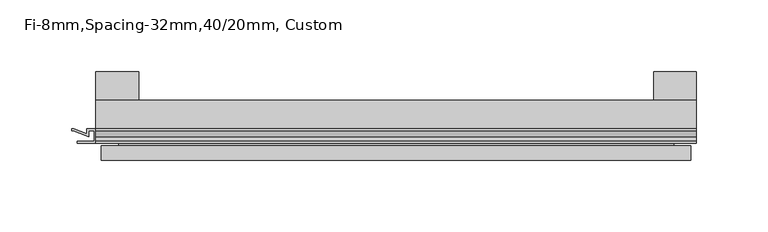
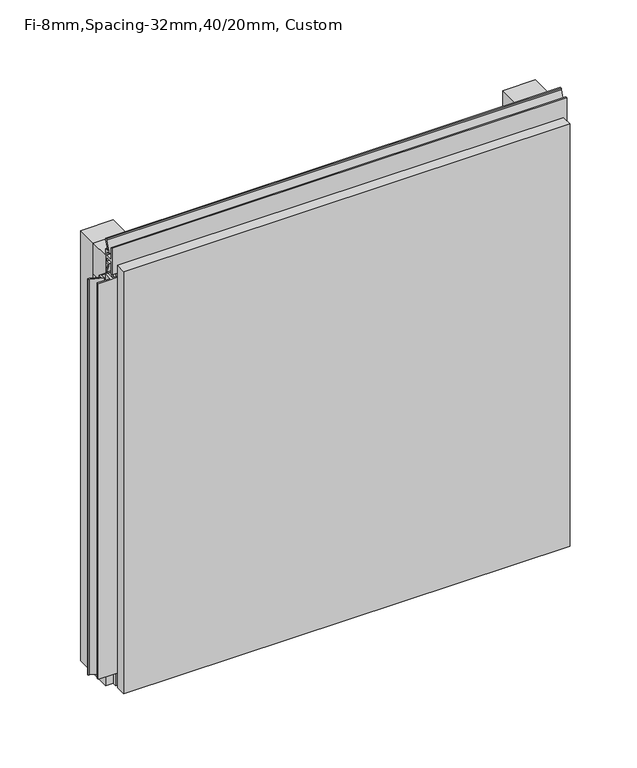
"""IFC4 building model written with IfcOpenShell, lengths in millimetres: plate geometry, Fi-8mm,Spacing-32mm,40/20mm, Custom."""

import ifcopenshell
import ifcopenshell.guid

model = None  # the IFC model being written
_history = None  # IfcOwnerHistory: only IFC2X3 demands one
_inside = {}  # id of a spatial element -> (the spatial element, [elements in it])
_under = {}  # id of a project, library or spatial element -> (it, [spatial elements below it])
_declared = {}  # id of a project -> (the project, [libraries it declares])
_typed = {}  # id of a type object -> (the type object, [elements of that type])
_made_of = {}  # id of a material, layer set ... -> (it, [elements and type objects made of it])


def new_model(schema):
    """Start an empty IFC model of exactly this schema.

    Asked for "IFC4X3", IfcOpenShell would pick the latest addendum, in which some entities
    have other attributes; the version numbers below select the first issue.
    IFC2X3 requires an IfcOwnerHistory on every rooted entity: one is made here for all.
    """
    global model, _history
    if schema == "IFC4X3":
        model = ifcopenshell.file(schema_version=(4, 3, 0, 0))
    else:
        model = ifcopenshell.file(schema=schema)
    _inside.clear()
    _under.clear()
    _declared.clear()
    _typed.clear()
    _made_of.clear()
    _history = None
    if model.schema == "IFC2X3":
        org = make("IfcOrganization", Name="unknown")
        user = make(
            "IfcPersonAndOrganization",
            ThePerson=make("IfcPerson", FamilyName="unknown"),
            TheOrganization=org,
        )
        app = make(
            "IfcApplication",
            ApplicationDeveloper=org,
            Version="unknown",
            ApplicationFullName="unknown",
            ApplicationIdentifier="unknown",
        )
        _history = make(
            "IfcOwnerHistory",
            OwningUser=user,
            OwningApplication=app,
            ChangeAction="ADDED",
            CreationDate=0,
        )
    return model


def make(cls, **values):
    """One entity of the class cls with the attributes given. An attribute that is None is left unset."""
    return model.create_entity(
        cls, **{name: value for name, value in values.items() if value is not None}
    )


def rooted(cls, **values):
    """An entity with a GlobalId (a new one), such as an element, a storey or a relation."""
    return make(cls, GlobalId=ifcopenshell.guid.new(), OwnerHistory=_history, **values)


def si_unit(unit_type, name, prefix=None):
    """IfcSIUnit, for example si_unit("LENGTHUNIT", "METRE", prefix="MILLI")."""
    return make("IfcSIUnit", UnitType=unit_type, Prefix=prefix, Name=name)


def assignment(units):
    """IfcUnitAssignment: the units of a project."""
    return None if units is None else make("IfcUnitAssignment", Units=units)


def point(xyz):
    """IfcCartesianPoint."""
    return None if xyz is None else make("IfcCartesianPoint", Coordinates=xyz)


def direction(xyz):
    """IfcDirection."""
    return None if xyz is None else make("IfcDirection", DirectionRatios=xyz)


def frame(location, z_axis=None, x_axis=None):
    """IfcAxis2Placement3D, a coordinate frame: its origin and axes. An axis left out is left unset."""
    return make(
        "IfcAxis2Placement3D",
        Location=point(location),
        Axis=direction(z_axis),
        RefDirection=direction(x_axis),
    )


def origin():
    """The frame at (0, 0, 0) with its axes left unset."""
    return frame((0.0, 0.0, 0.0))


def origin_with_axes():
    """The frame at (0, 0, 0) with the z axis (0, 0, 1) and the x axis (1, 0, 0) written out."""
    return frame((0.0, 0.0, 0.0), z_axis=(0.0, 0.0, 1.0), x_axis=(1.0, 0.0, 0.0))


def place(relative_to, where):
    """IfcLocalPlacement: puts the frame where relative to a parent placement (None: the world)."""
    return make(
        "IfcLocalPlacement", PlacementRelTo=relative_to, RelativePlacement=where
    )


def context(
    kind, dimensions, precision=None, world=None, true_north=None, identifier=None
):
    """IfcGeometricRepresentationContext, for example the 3D "Model" context."""
    return make(
        "IfcGeometricRepresentationContext",
        ContextIdentifier=identifier,
        ContextType=kind,
        CoordinateSpaceDimension=dimensions,
        Precision=precision,
        WorldCoordinateSystem=world,
        TrueNorth=true_north,
    )


def project(units=None, contexts=None):
    """IfcProject with its units and contexts."""
    return rooted(
        "IfcProject",
        Name="project",
        RepresentationContexts=contexts,
        UnitsInContext=assignment(units),
    )


def spatial(cls, under=None, at=None, **own):
    """A site, building, storey or space (cls), placed at a placement, below another one or the project."""
    s = rooted(cls, ObjectPlacement=at, **own)
    if under is not None:
        _under.setdefault(under.id(), (under, []))[1].append(s)
    return s


def polyline(points):
    """IfcPolyline through the points."""
    return make("IfcPolyline", Points=[point(p) for p in points])


def outline(outer, holes=None, kind="AREA"):
    """IfcArbitraryClosedProfileDef: a profile drawn as a closed curve; with holes, ...WithVoids."""
    if holes is None:
        return make("IfcArbitraryClosedProfileDef", ProfileType=kind, OuterCurve=outer)
    return make(
        "IfcArbitraryProfileDefWithVoids",
        ProfileType=kind,
        OuterCurve=outer,
        InnerCurves=holes,
    )


def extrude(swept, where, along, depth):
    """IfcExtrudedAreaSolid: the profile swept, set in the frame where, extruded along a direction by depth."""
    return make(
        "IfcExtrudedAreaSolid",
        SweptArea=swept,
        Position=where,
        ExtrudedDirection=direction(along),
        Depth=depth,
    )


def faces_of(points, faces, orient=None, outer=None):
    """IfcFace entities. A face is a list of loops; a loop is a list of indices into points, from 0.

    orient and outer hold one flag for each loop. By default every Orientation is true, the
    first loop of a face is its IfcFaceOuterBound and the others are IfcFaceBound.
    """
    made = []
    for i, loops in enumerate(faces):
        bounds = []
        for j, loop in enumerate(loops):
            is_outer = j == 0 if outer is None else outer[i][j]
            bounds.append(
                make(
                    "IfcFaceOuterBound" if is_outer else "IfcFaceBound",
                    Bound=make("IfcPolyLoop", Polygon=[points[k] for k in loop]),
                    Orientation=True if orient is None else orient[i][j],
                )
            )
        made.append(make("IfcFace", Bounds=bounds))
    return made


def faceted_brep(points, faces, orient=None, outer=None, voids=None):
    """IfcFacetedBrep: a solid bounded by flat faces; with voids (closed shells), ...WithVoids."""
    shared = [point(p) for p in points]
    hull = make("IfcClosedShell", CfsFaces=faces_of(shared, faces, orient, outer))
    if voids is None:
        return make("IfcFacetedBrep", Outer=hull)
    return make(
        "IfcFacetedBrepWithVoids",
        Outer=hull,
        Voids=[
            make(cls, CfsFaces=faces_of(shared, fs, o, b)) for cls, fs, o, b in voids
        ],
    )


def shape(context_of_items, identifier, shape_type, items):
    """IfcShapeRepresentation: the items that make up one representation, for example the "Body"."""
    return make(
        "IfcShapeRepresentation",
        ContextOfItems=context_of_items,
        RepresentationIdentifier=identifier,
        RepresentationType=shape_type,
        Items=items,
    )


def source(mapping_origin, context_of_items, identifier, shape_type, items):
    """IfcRepresentationMap: a shape defined once, which mapped items show again and again."""
    return make(
        "IfcRepresentationMap",
        MappingOrigin=mapping_origin,
        MappedRepresentation=shape(context_of_items, identifier, shape_type, items),
    )


def transform(
    local_origin,
    x_axis=None,
    y_axis=None,
    z_axis=None,
    scale=None,
    scale2=None,
    scale3=None,
    uniform=True,
):
    """IfcCartesianTransformationOperator3D, or its non-uniform kind. x_axis, y_axis, z_axis: its Axis1, 2, 3."""
    if uniform:
        return make(
            "IfcCartesianTransformationOperator3D",
            Axis1=direction(x_axis),
            Axis2=direction(y_axis),
            LocalOrigin=point(local_origin),
            Scale=scale,
            Axis3=direction(z_axis),
        )
    return make(
        "IfcCartesianTransformationOperator3DnonUniform",
        Axis1=direction(x_axis),
        Axis2=direction(y_axis),
        LocalOrigin=point(local_origin),
        Scale=scale,
        Axis3=direction(z_axis),
        Scale2=scale2,
        Scale3=scale3,
    )


def mapped(mapping_source, mapping_target):
    """IfcMappedItem: shows the shape of a source again, moved by a transform."""
    return make(
        "IfcMappedItem", MappingSource=mapping_source, MappingTarget=mapping_target
    )


def made_of(thing, what):
    """Note that an element or type object is made of a material, layer set ...; save() writes the relation."""
    if what is not None:
        _made_of.setdefault(what.id(), (what, []))[1].append(thing)
    return thing


def element(
    cls,
    number,
    at=None,
    inside=None,
    cuts=None,
    type_object=None,
    material=None,
    context=None,
    identifier="Body",
    shape_type=None,
    held_by="IfcProductDefinitionShape",
    body=None,
    shapes=None,
    **own,
):
    """One element of the class cls, such as IfcWall. Its Tag is "e" and its number.

    at: its placement. inside: the storey or other place that contains it. cuts: it is an
    opening in that element (IfcRelVoidsElement). A single representation is given by context,
    identifier, shape_type and body (its items); several are given by shapes. held_by: the class
    of the entity that holds the representations. save() writes the other relations.
    """
    e = rooted(cls, Tag="e%d" % number, ObjectPlacement=at, **own)
    if body is not None:
        shapes = [shape(context, identifier, shape_type, body)]
    if shapes is not None:
        e.Representation = make(held_by, Representations=shapes)
    if inside is not None:
        _inside.setdefault(inside.id(), (inside, []))[1].append(e)
    if cuts is not None:
        rooted(
            "IfcRelVoidsElement", RelatingBuildingElement=cuts, RelatedOpeningElement=e
        )
    if type_object is not None:
        _typed.setdefault(type_object.id(), (type_object, []))[1].append(e)
    return made_of(e, material)


def aggregate(whole, parts):
    """IfcRelAggregates: a whole, such as a stair, and the parts it consists of."""
    return rooted("IfcRelAggregates", RelatingObject=whole, RelatedObjects=parts)


def save(model, path):
    """Write the relations noted so far, then the file.

    IfcRelAggregates (storeys below a building ...), IfcRelContainedInSpatialStructure (elements
    in a storey), IfcRelDefinesByType, IfcRelAssociatesMaterial and IfcRelDeclares: one each for
    every whole, place, type object, material and project.
    """
    for whole, parts in _under.values():
        aggregate(whole, parts)
    for where, things in _inside.values():
        rooted(
            "IfcRelContainedInSpatialStructure",
            RelatedElements=things,
            RelatingStructure=where,
        )
    for kind, things in _typed.values():
        rooted("IfcRelDefinesByType", RelatedObjects=things, RelatingType=kind)
    for what, things in _made_of.values():
        rooted("IfcRelAssociatesMaterial", RelatedObjects=things, RelatingMaterial=what)
    for by, libraries in _declared.values():
        rooted("IfcRelDeclares", RelatingContext=by, RelatedDefinitions=libraries)
    model.write(path)


def fi_8mm_spacing_32mm_40_20mm_custom_fa134b66(model_context):
    return source(origin(), model_context, "Body", "SolidModel", [
        extrude(outline(polyline([(-210.0, -40.0), (-210.0, -20.0), (210.0, -20.0), (210.0, -40.0), (-210.0, -40.0)])), frame((0.0, 0.0, 390.0), z_axis=(0.0, 0.0, 1.0), x_axis=(1.0, 0.0, 0.0)), (0.0, 0.0, 1.0), 30.0),
        extrude(outline(polyline([(-210.0, -40.0), (-210.0, -20.0), (210.0, -20.0), (210.0, -40.0), (-210.0, -40.0)])), origin_with_axes(), (0.0, 0.0, 1.0), 30.0),
        extrude(outline(polyline([(180.0, 0.0), (210.0, 0.0), (210.0, -20.0), (180.0, -20.0), (180.0, 0.0)])), origin_with_axes(), (0.0, 0.0, 1.0), 420.0),
        extrude(outline(polyline([(-180.0, 0.0), (-180.0, -20.0), (-210.0, -20.0), (-210.0, 0.0), (-180.0, 0.0)])), origin_with_axes(), (0.0, 0.0, 1.0), 420.0),
        extrude(outline(polyline([(-210.899084, -48.7), (-210.899084, -41.4), (-214.899084, -41.4), (-214.899084, -45.5140545), (-225.5703394, -41.4553267), (-226.9558599, -41.4553267), (-226.9558599, -40.0553267), (-225.3558599, -40.0553267), (-216.299084, -43.5), (-216.299084, -40.0), (-203.700916, -40.0), (-203.700916, -43.5), (-194.6441401, -40.0553267), (-193.0441401, -40.0553267), (-193.0441401, -41.4553267), (-194.4296606, -41.4553267), (-205.100916, -45.5140545), (-205.100916, -41.4), (-209.100916, -41.4), (-209.100916, -48.7), (-197.100916, -48.7), (-197.100916, -50.1), (-222.899084, -50.1), (-222.899084, -48.7), (-210.899084, -48.7)])), frame((0.0, 0.0, 16.9558599), z_axis=(0.0, 0.0, 1.0), x_axis=(1.0, 0.0, 0.0)), (0.0, 0.0, 1.0), 386.0882802),
        extrude(outline(polyline([(-48.7, 420.899084), (-41.4, 420.899084), (-41.4, 424.899084), (-45.5140545, 424.899084), (-41.4553267, 435.5703394), (-41.4553267, 436.9558599), (-40.0553267, 436.9558599), (-40.0553267, 435.3558599), (-43.5, 426.299084), (-40.0, 426.299084), (-40.0, 413.700916), (-43.5, 413.700916), (-40.0553267, 404.6441401), (-40.0553267, 403.0441401), (-41.4553267, 403.0441401), (-41.4553267, 404.4296606), (-45.5140545, 415.100916), (-41.4, 415.100916), (-41.4, 419.100916), (-48.7, 419.100916), (-48.7, 407.100916), (-50.1, 407.100916), (-50.1, 432.899084), (-48.7, 432.899084), (-48.7, 420.899084)])), frame((-210.0, 0.0, 0.0), z_axis=(1.0, 0.0, 0.0), x_axis=(0.0, 1.0, 0.0)), (0.0, 0.0, 1.0), 420.0),
        faceted_brep([(206.0, -45.9, 416.0), (-206.0, -45.9, 416.0), (-206.0, -48.7, 416.0), (206.0, -48.7, 416.0), (-206.0, -61.9, 416.0), (206.0, -61.9, 416.0), (206.0, -51.9, 416.0), (-206.0, -51.9, 416.0), (-206.0, -45.9, 4.0), (206.0, -45.9, 4.0), (206.0, -48.7, 4.0), (-206.0, -48.7, 4.0), (206.0, -61.9, 4.0), (-206.0, -61.9, 4.0), (-206.0, -51.9, 4.0), (206.0, -51.9, 4.0), (194.0, -51.9, 404.0), (194.0, -51.9, 16.0), (194.0, -48.7, 16.0), (194.0, -48.7, 404.0), (-194.0, -51.9, 16.0), (-194.0, -48.7, 16.0), (-194.0, -51.9, 404.0), (-194.0, -48.7, 404.0)], [[[0, 1, 2, 3]], [[4, 5, 6, 7]], [[8, 9, 10, 11]], [[12, 13, 14, 15]], [[1, 0, 9, 8]], [[1, 8, 11, 2]], [[13, 4, 7, 14]], [[5, 4, 13, 12]], [[9, 0, 3, 10]], [[5, 12, 15, 6]], [[16, 17, 18, 19]], [[18, 17, 20, 21]], [[21, 20, 22, 23]], [[16, 19, 23, 22]], [[7, 6, 15, 14], [17, 16, 22, 20]], [[3, 2, 11, 10], [19, 18, 21, 23]]]),
    ])


if __name__ == "__main__":
    model = new_model("IFC4")
    model_context = context("Model", 3, world=origin())
    ifc_project = project(units=[si_unit("LENGTHUNIT", "METRE", prefix="MILLI")], contexts=[model_context])
    site = spatial("IfcSite", under=ifc_project)
    building = spatial("IfcBuilding", under=site)
    placement = place(None, origin())
    fi_8mm_spacing_32mm_40_20mm_custom_shape = fi_8mm_spacing_32mm_40_20mm_custom_fa134b66(model_context)
    element("IfcPlate", 1, ObjectType="Fi-8mm,Spacing-32mm,40/20mm, Custom", at=placement, inside=building, context=model_context, shape_type="MappedRepresentation", body=[
        mapped(fi_8mm_spacing_32mm_40_20mm_custom_shape, transform((0.0, 0.0, 0.0), x_axis=(1.0, 0.0, 0.0), y_axis=(0.0, 1.0, 0.0), z_axis=(0.0, 0.0, 1.0))),
    ])
    save(model, "model.ifc")
